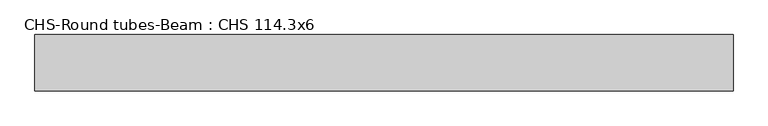
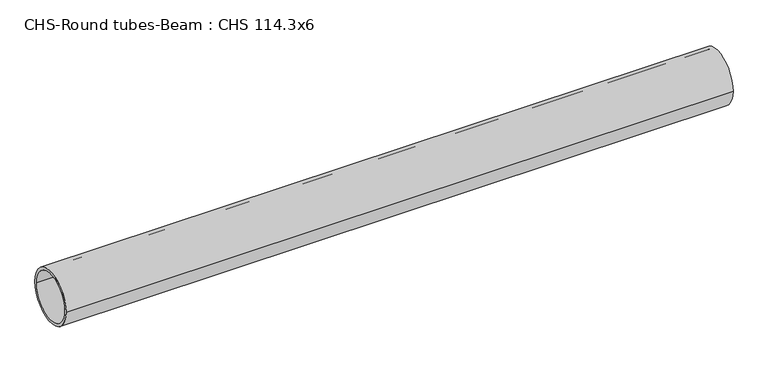
"""IFC4 building model written with IfcOpenShell, lengths in millimetres: beam geometry, CHS-Round tubes-Beam : CHS 114.3x6."""

import ifcopenshell
import ifcopenshell.guid

model = None  # the IFC model being written
_history = None  # IfcOwnerHistory: only IFC2X3 demands one
_inside = {}  # id of a spatial element -> (the spatial element, [elements in it])
_under = {}  # id of a project, library or spatial element -> (it, [spatial elements below it])
_declared = {}  # id of a project -> (the project, [libraries it declares])
_typed = {}  # id of a type object -> (the type object, [elements of that type])
_made_of = {}  # id of a material, layer set ... -> (it, [elements and type objects made of it])


def new_model(schema):
    """Start an empty IFC model of exactly this schema.

    Asked for "IFC4X3", IfcOpenShell would pick the latest addendum, in which some entities
    have other attributes; the version numbers below select the first issue.
    IFC2X3 requires an IfcOwnerHistory on every rooted entity: one is made here for all.
    """
    global model, _history
    if schema == "IFC4X3":
        model = ifcopenshell.file(schema_version=(4, 3, 0, 0))
    else:
        model = ifcopenshell.file(schema=schema)
    _inside.clear()
    _under.clear()
    _declared.clear()
    _typed.clear()
    _made_of.clear()
    _history = None
    if model.schema == "IFC2X3":
        org = make("IfcOrganization", Name="unknown")
        user = make(
            "IfcPersonAndOrganization",
            ThePerson=make("IfcPerson", FamilyName="unknown"),
            TheOrganization=org,
        )
        app = make(
            "IfcApplication",
            ApplicationDeveloper=org,
            Version="unknown",
            ApplicationFullName="unknown",
            ApplicationIdentifier="unknown",
        )
        _history = make(
            "IfcOwnerHistory",
            OwningUser=user,
            OwningApplication=app,
            ChangeAction="ADDED",
            CreationDate=0,
        )
    return model


def make(cls, **values):
    """One entity of the class cls with the attributes given. An attribute that is None is left unset."""
    return model.create_entity(
        cls, **{name: value for name, value in values.items() if value is not None}
    )


def rooted(cls, **values):
    """An entity with a GlobalId (a new one), such as an element, a storey or a relation."""
    return make(cls, GlobalId=ifcopenshell.guid.new(), OwnerHistory=_history, **values)


def si_unit(unit_type, name, prefix=None):
    """IfcSIUnit, for example si_unit("LENGTHUNIT", "METRE", prefix="MILLI")."""
    return make("IfcSIUnit", UnitType=unit_type, Prefix=prefix, Name=name)


def assignment(units):
    """IfcUnitAssignment: the units of a project."""
    return None if units is None else make("IfcUnitAssignment", Units=units)


def point(xyz):
    """IfcCartesianPoint."""
    return None if xyz is None else make("IfcCartesianPoint", Coordinates=xyz)


def direction(xyz):
    """IfcDirection."""
    return None if xyz is None else make("IfcDirection", DirectionRatios=xyz)


def frame(location, z_axis=None, x_axis=None):
    """IfcAxis2Placement3D, a coordinate frame: its origin and axes. An axis left out is left unset."""
    return make(
        "IfcAxis2Placement3D",
        Location=point(location),
        Axis=direction(z_axis),
        RefDirection=direction(x_axis),
    )


def frame_2d(location, x_axis=None):
    """IfcAxis2Placement2D, a coordinate frame in the plane: its origin and x axis."""
    return make(
        "IfcAxis2Placement2D", Location=point(location), RefDirection=direction(x_axis)
    )


def origin():
    """The frame at (0, 0, 0) with its axes left unset."""
    return frame((0.0, 0.0, 0.0))


def origin_2d():
    """The frame at (0, 0) in the plane with its x axis left unset."""
    return frame_2d((0.0, 0.0))


def place(relative_to, where):
    """IfcLocalPlacement: puts the frame where relative to a parent placement (None: the world)."""
    return make(
        "IfcLocalPlacement", PlacementRelTo=relative_to, RelativePlacement=where
    )


def context(
    kind, dimensions, precision=None, world=None, true_north=None, identifier=None
):
    """IfcGeometricRepresentationContext, for example the 3D "Model" context."""
    return make(
        "IfcGeometricRepresentationContext",
        ContextIdentifier=identifier,
        ContextType=kind,
        CoordinateSpaceDimension=dimensions,
        Precision=precision,
        WorldCoordinateSystem=world,
        TrueNorth=true_north,
    )


def project(units=None, contexts=None):
    """IfcProject with its units and contexts."""
    return rooted(
        "IfcProject",
        Name="project",
        RepresentationContexts=contexts,
        UnitsInContext=assignment(units),
    )


def spatial(cls, under=None, at=None, **own):
    """A site, building, storey or space (cls), placed at a placement, below another one or the project."""
    s = rooted(cls, ObjectPlacement=at, **own)
    if under is not None:
        _under.setdefault(under.id(), (under, []))[1].append(s)
    return s


def circle_curve(where, radius):
    """IfcCircle in the frame where."""
    return make("IfcCircle", Position=where, Radius=radius)


def trimmed(basis, trim1, trim2, sense, master):
    """IfcTrimmedCurve: the piece of a basis curve between two trims."""
    return make(
        "IfcTrimmedCurve",
        BasisCurve=basis,
        Trim1=trim1,
        Trim2=trim2,
        SenseAgreement=sense,
        MasterRepresentation=master,
    )


def segment(curve, same_sense, transition):
    """IfcCompositeCurveSegment."""
    return make(
        "IfcCompositeCurveSegment",
        Transition=transition,
        SameSense=same_sense,
        ParentCurve=curve,
    )


def composite_curve(segments, self_intersect=None):
    """IfcCompositeCurve: segments joined end to end."""
    return make("IfcCompositeCurve", Segments=segments, SelfIntersect=self_intersect)


def outline(outer, holes=None, kind="AREA"):
    """IfcArbitraryClosedProfileDef: a profile drawn as a closed curve; with holes, ...WithVoids."""
    if holes is None:
        return make("IfcArbitraryClosedProfileDef", ProfileType=kind, OuterCurve=outer)
    return make(
        "IfcArbitraryProfileDefWithVoids",
        ProfileType=kind,
        OuterCurve=outer,
        InnerCurves=holes,
    )


def extrude(swept, where, along, depth):
    """IfcExtrudedAreaSolid: the profile swept, set in the frame where, extruded along a direction by depth."""
    return make(
        "IfcExtrudedAreaSolid",
        SweptArea=swept,
        Position=where,
        ExtrudedDirection=direction(along),
        Depth=depth,
    )


def shape(context_of_items, identifier, shape_type, items):
    """IfcShapeRepresentation: the items that make up one representation, for example the "Body"."""
    return make(
        "IfcShapeRepresentation",
        ContextOfItems=context_of_items,
        RepresentationIdentifier=identifier,
        RepresentationType=shape_type,
        Items=items,
    )


def source(mapping_origin, context_of_items, identifier, shape_type, items):
    """IfcRepresentationMap: a shape defined once, which mapped items show again and again."""
    return make(
        "IfcRepresentationMap",
        MappingOrigin=mapping_origin,
        MappedRepresentation=shape(context_of_items, identifier, shape_type, items),
    )


def transform(
    local_origin,
    x_axis=None,
    y_axis=None,
    z_axis=None,
    scale=None,
    scale2=None,
    scale3=None,
    uniform=True,
):
    """IfcCartesianTransformationOperator3D, or its non-uniform kind. x_axis, y_axis, z_axis: its Axis1, 2, 3."""
    if uniform:
        return make(
            "IfcCartesianTransformationOperator3D",
            Axis1=direction(x_axis),
            Axis2=direction(y_axis),
            LocalOrigin=point(local_origin),
            Scale=scale,
            Axis3=direction(z_axis),
        )
    return make(
        "IfcCartesianTransformationOperator3DnonUniform",
        Axis1=direction(x_axis),
        Axis2=direction(y_axis),
        LocalOrigin=point(local_origin),
        Scale=scale,
        Axis3=direction(z_axis),
        Scale2=scale2,
        Scale3=scale3,
    )


def mapped(mapping_source, mapping_target):
    """IfcMappedItem: shows the shape of a source again, moved by a transform."""
    return make(
        "IfcMappedItem", MappingSource=mapping_source, MappingTarget=mapping_target
    )


def made_of(thing, what):
    """Note that an element or type object is made of a material, layer set ...; save() writes the relation."""
    if what is not None:
        _made_of.setdefault(what.id(), (what, []))[1].append(thing)
    return thing


def element(
    cls,
    number,
    at=None,
    inside=None,
    cuts=None,
    type_object=None,
    material=None,
    context=None,
    identifier="Body",
    shape_type=None,
    held_by="IfcProductDefinitionShape",
    body=None,
    shapes=None,
    **own,
):
    """One element of the class cls, such as IfcWall. Its Tag is "e" and its number.

    at: its placement. inside: the storey or other place that contains it. cuts: it is an
    opening in that element (IfcRelVoidsElement). A single representation is given by context,
    identifier, shape_type and body (its items); several are given by shapes. held_by: the class
    of the entity that holds the representations. save() writes the other relations.
    """
    e = rooted(cls, Tag="e%d" % number, ObjectPlacement=at, **own)
    if body is not None:
        shapes = [shape(context, identifier, shape_type, body)]
    if shapes is not None:
        e.Representation = make(held_by, Representations=shapes)
    if inside is not None:
        _inside.setdefault(inside.id(), (inside, []))[1].append(e)
    if cuts is not None:
        rooted(
            "IfcRelVoidsElement", RelatingBuildingElement=cuts, RelatedOpeningElement=e
        )
    if type_object is not None:
        _typed.setdefault(type_object.id(), (type_object, []))[1].append(e)
    return made_of(e, material)


def aggregate(whole, parts):
    """IfcRelAggregates: a whole, such as a stair, and the parts it consists of."""
    return rooted("IfcRelAggregates", RelatingObject=whole, RelatedObjects=parts)


def save(model, path):
    """Write the relations noted so far, then the file.

    IfcRelAggregates (storeys below a building ...), IfcRelContainedInSpatialStructure (elements
    in a storey), IfcRelDefinesByType, IfcRelAssociatesMaterial and IfcRelDeclares: one each for
    every whole, place, type object, material and project.
    """
    for whole, parts in _under.values():
        aggregate(whole, parts)
    for where, things in _inside.values():
        rooted(
            "IfcRelContainedInSpatialStructure",
            RelatedElements=things,
            RelatingStructure=where,
        )
    for kind, things in _typed.values():
        rooted("IfcRelDefinesByType", RelatedObjects=things, RelatingType=kind)
    for what, things in _made_of.values():
        rooted("IfcRelAssociatesMaterial", RelatedObjects=things, RelatingMaterial=what)
    for by, libraries in _declared.values():
        rooted("IfcRelDeclares", RelatingContext=by, RelatedDefinitions=libraries)
    model.write(path)


def chs_round_tubes_beam_chs_114_3x6_304c6830(model_context):
    return source(origin(), model_context, "Body", "SweptSolid", [
        extrude(outline(composite_curve([segment(trimmed(circle_curve(origin_2d(), 57.15), [point((57.15, 0.0))], [point((-57.15, 0.0))], False, "CARTESIAN"), True, "CONTINUOUS"), segment(trimmed(circle_curve(origin_2d(), 57.15), [point((-57.15, 0.0))], [point((57.15, 0.0))], False, "CARTESIAN"), True, "CONTINUOUS")], self_intersect=False), holes=[composite_curve([segment(trimmed(circle_curve(origin_2d(), 51.15), [point((51.15, 0.0))], [point((-51.15, 0.0))], True, "CARTESIAN"), True, "CONTINUOUS"), segment(trimmed(circle_curve(origin_2d(), 51.15), [point((-51.15, 0.0))], [point((51.15, 0.0))], True, "CARTESIAN"), True, "CONTINUOUS")], self_intersect=False)]), frame((-702.923181, 0.0, 0.0), z_axis=(1.0, 0.0, 0.0), x_axis=(0.0, 1.0, 0.0)), (0.0, 0.0, 1.0), 1412.288938),
    ])


if __name__ == "__main__":
    model = new_model("IFC4")
    model_context = context("Model", 3, world=origin())
    ifc_project = project(units=[si_unit("LENGTHUNIT", "METRE", prefix="MILLI")], contexts=[model_context])
    site = spatial("IfcSite", under=ifc_project)
    building = spatial("IfcBuilding", under=site)
    placement = place(None, origin())
    chs_round_tubes_beam_chs_114_3x6_shape = chs_round_tubes_beam_chs_114_3x6_304c6830(model_context)
    element("IfcBeam", 1, ObjectType="CHS-Round tubes-Beam : CHS 114.3x6", at=placement, inside=building, context=model_context, shape_type="MappedRepresentation", body=[
        mapped(chs_round_tubes_beam_chs_114_3x6_shape, transform((0.0, 0.0, 0.0), x_axis=(1.0, 0.0, 0.0), y_axis=(0.0, 1.0, 0.0), z_axis=(0.0, 0.0, 1.0))),
    ])
    save(model, "model.ifc")
